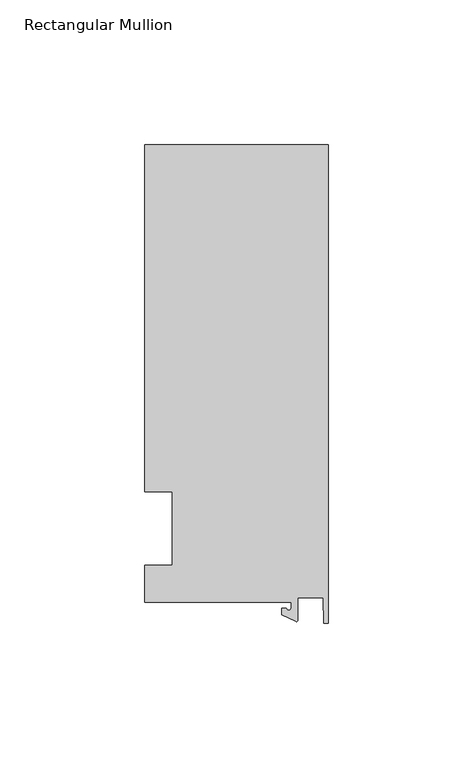
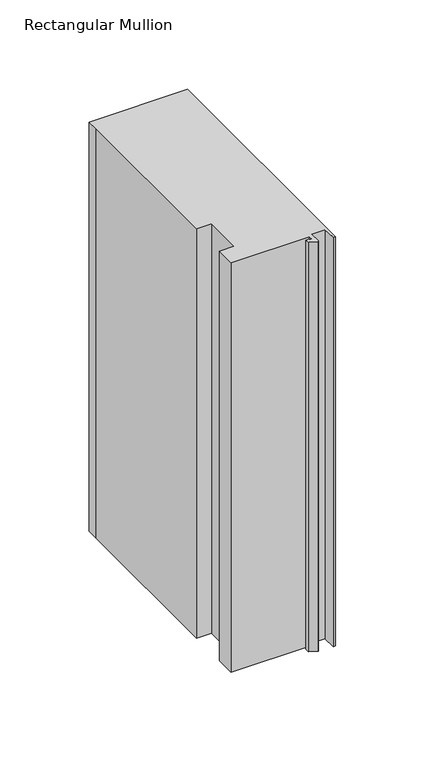
"""IFC4 building model written with IfcOpenShell, lengths in millimetres: member geometry, Rectangular Mullion."""

from ifc_helpers import new_model, si_unit, point, frame, frame_2d, origin, place, context, project, spatial, polyline, circle_curve, trimmed, segment, composite_curve, outline, extrude, source, transform, mapped, element, save


def rectangular_mullion_dc2e3cf9(model_context):
    return source(origin(), model_context, "Body", "SweptSolid", [
        extrude(outline(composite_curve([segment(polyline([(-12.8216721, -25.5984375), (-63.5, -25.5984375), (-63.5, -12.7), (-53.975, -12.7), (-53.975, 12.7), (-63.5, 12.7), (-63.5, 125.075512), (-63.5, 132.822512), (0.0, 132.822512), (0.0, -32.810012), (-1.5566453, -32.810012), (-1.7144124, -23.9227662), (-10.4340721, -23.9227662), (-10.4340721, -31.6795354)]), True, "CONTINUOUS"), segment(trimmed(circle_curve(frame_2d((-10.9420721, -31.6795354)), 0.508), [point((-10.4340721, -31.6795354))], [point((-11.1567622, -32.1399398))], False, "CARTESIAN"), True, "CONTINUOUS"), segment(polyline([(-11.1567622, -32.1399398), (-15.9966721, -29.8830527), (-15.9966721, -27.5208534), (-14.4091721, -27.5208534)]), True, "CONTINUOUS"), segment(trimmed(circle_curve(frame_2d((-13.6154221, -27.5208534)), 0.79375), [point((-14.4091721, -27.5208534))], [point((-12.8216721, -27.5208534))], True, "CARTESIAN"), True, "CONTINUOUS"), segment(polyline([(-12.8216721, -27.5208534), (-12.8216721, -25.5984375)]), True, "CONTINUOUS")], self_intersect=False)), frame((0.0, 0.0, -279.4), z_axis=(0.0, 0.0, 1.0), x_axis=(1.0, 0.0, 0.0)), (0.0, 0.0, 1.0), 279.4),
    ])


if __name__ == "__main__":
    model = new_model("IFC4")
    model_context = context("Model", 3, world=origin())
    ifc_project = project(units=[si_unit("LENGTHUNIT", "METRE", prefix="MILLI")], contexts=[model_context])
    site = spatial("IfcSite", under=ifc_project)
    building = spatial("IfcBuilding", under=site)
    placement = place(None, origin())
    rectangular_mullion_shape = rectangular_mullion_dc2e3cf9(model_context)
    element("IfcMember", 1, ObjectType="Rectangular Mullion", at=placement, inside=building, context=model_context, shape_type="MappedRepresentation", body=[
        mapped(rectangular_mullion_shape, transform((0.0, 0.0, 0.0), x_axis=(1.0, 0.0, 0.0), y_axis=(0.0, 1.0, 0.0), z_axis=(0.0, 0.0, 1.0))),
    ])
    save(model, "model.ifc")
